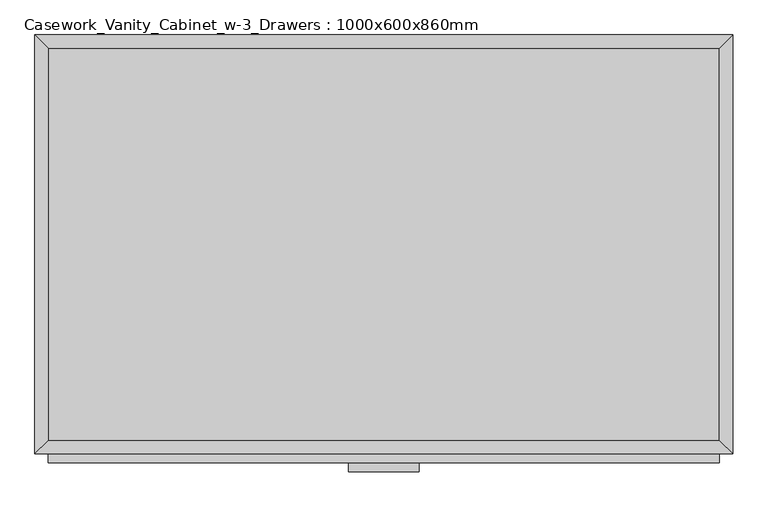
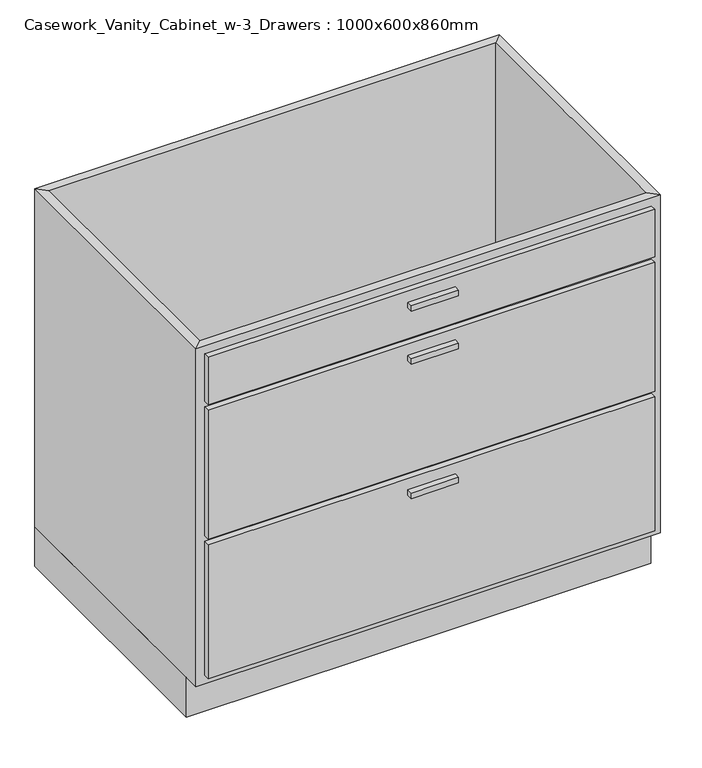
"""IFC4 building model written with IfcOpenShell, lengths in millimetres: furniture geometry, Casework_Vanity_Cabinet_w-3_Drawers : 1000x600x860mm."""

from ifc_helpers import new_model, si_unit, frame, origin, origin_with_axes, place, context, project, spatial, polyline, outline, extrude, faceted_brep, source, transform, mapped, element, save


def casework_vanity_cabinet_w_3_drawers_1000x600x860mm_34effaa3(model_context):
    return source(origin(), model_context, "Body", "SolidModel", [
        extrude(outline(polyline([(69.5377049, -625.4), (-32.0622951, -625.4), (-32.0622951, -612.7), (69.5377049, -612.7), (69.5377049, -625.4)])), frame((0.0, 0.0, 802.85), z_axis=(0.0, 0.0, 1.0), x_axis=(1.0, 0.0, 0.0)), (0.0, 0.0, 1.0), 12.7),
        extrude(outline(polyline([(69.5377049, -625.4), (-32.0622951, -625.4), (-32.0622951, -612.7), (69.5377049, -612.7), (69.5377049, -625.4)])), frame((0.0, 0.0, 682.2), z_axis=(0.0, 0.0, 1.0), x_axis=(1.0, 0.0, 0.0)), (0.0, 0.0, 1.0), 12.7),
        extrude(outline(polyline([(69.5377049, -625.4), (-32.0622951, -625.4), (-32.0622951, -612.7), (69.5377049, -612.7), (69.5377049, -625.4)])), frame((0.0, 0.0, 376.575), z_axis=(0.0, 0.0, 1.0), x_axis=(1.0, 0.0, 0.0)), (0.0, 0.0, 1.0), 12.7),
        extrude(outline(polyline([(499.6877049, -612.7), (-462.2122951, -612.7), (-462.2122951, -600.0), (499.6877049, -600.0), (499.6877049, -612.7)])), frame((0.0, 0.0, 733.0), z_axis=(0.0, 0.0, 1.0), x_axis=(1.0, 0.0, 0.0)), (0.0, 0.0, 1.0), 107.95),
        extrude(outline(polyline([(499.6877049, -612.7), (-462.2122951, -612.7), (-462.2122951, -600.0), (499.6877049, -600.0), (499.6877049, -612.7)])), frame((0.0, 0.0, 427.375), z_axis=(0.0, 0.0, 1.0), x_axis=(1.0, 0.0, 0.0)), (0.0, 0.0, 1.0), 292.925),
        extrude(outline(polyline([(499.6877049, -612.7), (-462.2122951, -612.7), (-462.2122951, -600.0), (499.6877049, -600.0), (499.6877049, -612.7)])), frame((0.0, 0.0, 109.05), z_axis=(0.0, 0.0, 1.0), x_axis=(1.0, 0.0, 0.0)), (0.0, 0.0, 1.0), 305.625),
        extrude(outline(polyline([(499.6877049, -19.05), (499.6877049, -580.95), (-462.2122951, -580.95), (-462.2122951, -19.05), (499.6877049, -19.05)])), frame((0.0, 0.0, 90.0), z_axis=(0.0, 0.0, 1.0), x_axis=(1.0, 0.0, 0.0)), (0.0, 0.0, 1.0), 19.05),
        faceted_brep([(499.6877049, -580.95, 860.0), (499.6877049, -580.95, 90.0), (-462.2122951, -580.95, 90.0), (-462.2122951, -580.95, 860.0), (518.7377049, -600.0, 860.0), (-481.2622951, -600.0, 860.0), (518.7377049, -600.0, 90.0), (-481.2622951, -600.0, 90.0), (-462.2122951, -19.05, 90.0), (-462.2122951, -19.05, 860.0), (-481.2622951, 0.0, 860.0), (-481.2622951, 0.0, 90.0), (499.6877049, -19.05, 90.0), (499.6877049, -19.05, 860.0), (518.7377049, 0.0, 860.0), (518.7377049, 0.0, 90.0)], [[[0, 1, 2, 3]], [[4, 0, 3, 5]], [[6, 4, 5, 7]], [[1, 6, 7, 2]], [[3, 2, 8, 9]], [[5, 3, 9, 10]], [[7, 5, 10, 11]], [[2, 7, 11, 8]], [[9, 8, 12, 13]], [[10, 9, 13, 14]], [[11, 10, 14, 15]], [[8, 11, 15, 12]], [[13, 12, 1, 0]], [[14, 13, 0, 4]], [[15, 14, 4, 6]], [[12, 15, 6, 1]]]),
        extrude(outline(polyline([(518.7377049, 0.0), (518.7377049, -565.0), (-481.2622951, -565.0), (-481.2622951, 0.0), (518.7377049, 0.0)])), origin_with_axes(), (0.0, 0.0, 1.0), 90.0),
    ])


if __name__ == "__main__":
    model = new_model("IFC4")
    model_context = context("Model", 3, world=origin())
    ifc_project = project(units=[si_unit("LENGTHUNIT", "METRE", prefix="MILLI")], contexts=[model_context])
    site = spatial("IfcSite", under=ifc_project)
    building = spatial("IfcBuilding", under=site)
    placement = place(None, origin())
    casework_vanity_cabinet_w_3_drawers_1000x600x860mm_shape = casework_vanity_cabinet_w_3_drawers_1000x600x860mm_34effaa3(model_context)
    element("IfcFurniture", 1, ObjectType="Casework_Vanity_Cabinet_w-3_Drawers : 1000x600x860mm", at=placement, inside=building, context=model_context, shape_type="MappedRepresentation", body=[
        mapped(casework_vanity_cabinet_w_3_drawers_1000x600x860mm_shape, transform((0.0, 0.0, 0.0), x_axis=(1.0, 0.0, 0.0), y_axis=(0.0, 1.0, 0.0), z_axis=(0.0, 0.0, 1.0))),
    ])
    save(model, "model.ifc")
